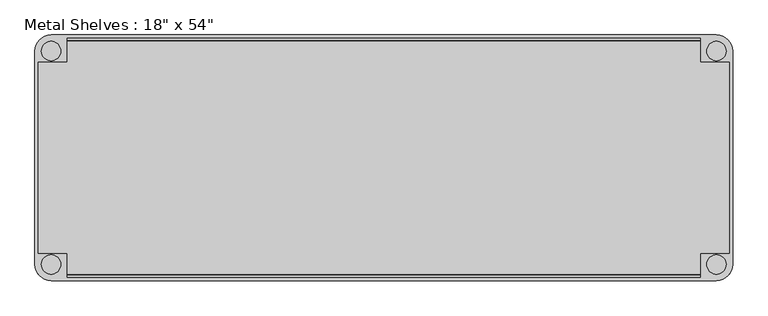
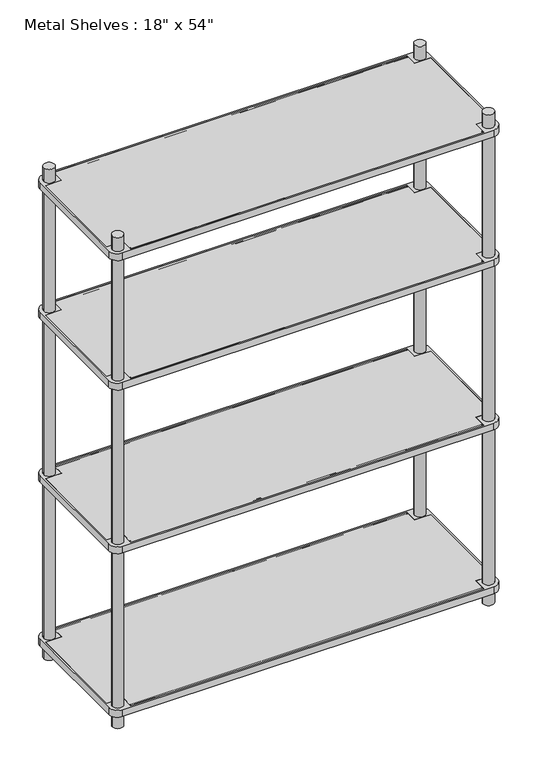
"""IFC4 building model written with IfcOpenShell, lengths in millimetres: furniture geometry."""

from ifc_helpers import new_model, si_unit, point, frame, frame_2d, origin, origin_with_axes, place, context, project, spatial, polyline, circle_curve, trimmed, segment, composite_curve, outline, extrude, source, transform, mapped, element, save


def furniture_56ea5052(model_context):
    return source(origin(), model_context, "Body", "SweptSolid", [
        extrude(outline(polyline([(-622.3, -234.95), (-622.3, -187.325), (-679.45, -187.325), (-679.45, 187.325), (-622.3, 187.325), (-622.3, 234.95), (622.3, 234.95), (622.3, 187.325), (679.45, 187.325), (679.45, -187.325), (622.3, -187.325), (622.3, -234.95), (-622.3, -234.95)])), frame((0.0, 0.0, 50.8), z_axis=(0.0, 0.0, 1.0), x_axis=(1.0, 0.0, 0.0)), (0.0, 0.0, 1.0), 25.4),
        extrude(outline(polyline([(-622.3, -234.95), (-622.3, -187.325), (-679.45, -187.325), (-679.45, 187.325), (-622.3, 187.325), (-622.3, 234.95), (622.3, 234.95), (622.3, 187.325), (679.45, 187.325), (679.45, -187.325), (622.3, -187.325), (622.3, -234.95), (-622.3, -234.95)])), frame((0.0, 0.0, 660.4), z_axis=(0.0, 0.0, 1.0), x_axis=(1.0, 0.0, 0.0)), (0.0, 0.0, 1.0), 25.4),
        extrude(outline(polyline([(-622.3, -234.95), (-622.3, -187.325), (-679.45, -187.325), (-679.45, 187.325), (-622.3, 187.325), (-622.3, 234.95), (622.3, 234.95), (622.3, 187.325), (679.45, 187.325), (679.45, -187.325), (622.3, -187.325), (622.3, -234.95), (-622.3, -234.95)])), frame((0.0, 0.0, 1270.0), z_axis=(0.0, 0.0, 1.0), x_axis=(1.0, 0.0, 0.0)), (0.0, 0.0, 1.0), 25.4),
        extrude(outline(polyline([(-679.45, -187.325), (-679.45, 187.325), (-622.3, 187.325), (-622.3, 234.95), (622.3, 234.95), (622.3, 187.325), (679.45, 187.325), (679.45, -187.325), (622.3, -187.325), (622.3, -234.95), (-622.3, -234.95), (-622.3, -187.325), (-679.45, -187.325)])), frame((0.0, 0.0, 1752.6), z_axis=(0.0, 0.0, 1.0), x_axis=(1.0, 0.0, 0.0)), (0.0, 0.0, 1.0), 25.4),
        extrude(outline(composite_curve([segment(polyline([(685.8, 209.55), (685.8, -209.55)]), True, "CONTINUOUS"), segment(trimmed(circle_curve(frame_2d((654.05, -209.55)), 31.75), [point((685.8, -209.55))], [point((654.05, -241.3))], False, "CARTESIAN"), True, "CONTINUOUS"), segment(polyline([(654.05, -241.3), (-654.05, -241.3)]), True, "CONTINUOUS"), segment(trimmed(circle_curve(frame_2d((-654.05, -209.55)), 31.75), [point((-654.05, -241.3))], [point((-685.8, -209.55))], False, "CARTESIAN"), True, "CONTINUOUS"), segment(polyline([(-685.8, -209.55), (-685.8, 209.55)]), True, "CONTINUOUS"), segment(trimmed(circle_curve(frame_2d((-654.05, 209.55)), 31.75), [point((-685.8, 209.55))], [point((-654.05, 241.3))], False, "CARTESIAN"), True, "CONTINUOUS"), segment(polyline([(-654.05, 241.3), (654.05, 241.3)]), True, "CONTINUOUS"), segment(trimmed(circle_curve(frame_2d((654.05, 209.55)), 31.75), [point((654.05, 241.3))], [point((685.8, 209.55))], False, "CARTESIAN"), True, "CONTINUOUS")], self_intersect=False), holes=[polyline([(-622.3, 234.95), (-622.3, 187.325), (-679.45, 187.325), (-679.45, -187.325), (-622.3, -187.325), (-622.3, -234.95), (622.3, -234.95), (622.3, -187.325), (679.45, -187.325), (679.45, 187.325), (622.3, 187.325), (622.3, 234.95), (-622.3, 234.95)]), composite_curve([segment(trimmed(circle_curve(frame_2d((654.05, 209.55)), 19.05), [point((635.0, 209.55))], [point((673.1, 209.55))], True, "CARTESIAN"), True, "CONTINUOUS"), segment(trimmed(circle_curve(frame_2d((654.05, 209.55)), 19.05), [point((673.1, 209.55))], [point((635.0, 209.55))], True, "CARTESIAN"), True, "CONTINUOUS")], self_intersect=False), composite_curve([segment(trimmed(circle_curve(frame_2d((654.05, -209.55)), 19.05), [point((635.0, -209.55))], [point((673.1, -209.55))], True, "CARTESIAN"), True, "CONTINUOUS"), segment(trimmed(circle_curve(frame_2d((654.05, -209.55)), 19.05), [point((673.1, -209.55))], [point((635.0, -209.55))], True, "CARTESIAN"), True, "CONTINUOUS")], self_intersect=False), composite_curve([segment(trimmed(circle_curve(frame_2d((-654.05, -209.55)), 19.05), [point((-635.0, -209.55))], [point((-673.1, -209.55))], True, "CARTESIAN"), True, "CONTINUOUS"), segment(trimmed(circle_curve(frame_2d((-654.05, -209.55)), 19.05), [point((-673.1, -209.55))], [point((-635.0, -209.55))], True, "CARTESIAN"), True, "CONTINUOUS")], self_intersect=False), composite_curve([segment(trimmed(circle_curve(frame_2d((-654.05, 209.55)), 19.05), [point((-635.0, 209.55))], [point((-673.1, 209.55))], True, "CARTESIAN"), True, "CONTINUOUS"), segment(trimmed(circle_curve(frame_2d((-654.05, 209.55)), 19.05), [point((-673.1, 209.55))], [point((-635.0, 209.55))], True, "CARTESIAN"), True, "CONTINUOUS")], self_intersect=False)]), frame((0.0, 0.0, 660.4), z_axis=(0.0, 0.0, 1.0), x_axis=(1.0, 0.0, 0.0)), (0.0, 0.0, 1.0), 25.4),
        extrude(outline(composite_curve([segment(polyline([(-654.05, 241.3), (654.05, 241.3)]), True, "CONTINUOUS"), segment(trimmed(circle_curve(frame_2d((654.05, 209.55)), 31.75), [point((654.05, 241.3))], [point((685.8, 209.55))], False, "CARTESIAN"), True, "CONTINUOUS"), segment(polyline([(685.8, 209.55), (685.8, -209.55)]), True, "CONTINUOUS"), segment(trimmed(circle_curve(frame_2d((654.05, -209.55)), 31.75), [point((685.8, -209.55))], [point((654.05, -241.3))], False, "CARTESIAN"), True, "CONTINUOUS"), segment(polyline([(654.05, -241.3), (-654.05, -241.3)]), True, "CONTINUOUS"), segment(trimmed(circle_curve(frame_2d((-654.05, -209.55)), 31.75), [point((-654.05, -241.3))], [point((-685.8, -209.55))], False, "CARTESIAN"), True, "CONTINUOUS"), segment(polyline([(-685.8, -209.55), (-685.8, 209.55)]), True, "CONTINUOUS"), segment(trimmed(circle_curve(frame_2d((-654.05, 209.55)), 31.75), [point((-685.8, 209.55))], [point((-654.05, 241.3))], False, "CARTESIAN"), True, "CONTINUOUS")], self_intersect=False), holes=[composite_curve([segment(trimmed(circle_curve(frame_2d((-654.05, 209.55)), 19.05), [point((-635.0, 209.55))], [point((-673.1, 209.55))], True, "CARTESIAN"), True, "CONTINUOUS"), segment(trimmed(circle_curve(frame_2d((-654.05, 209.55)), 19.05), [point((-673.1, 209.55))], [point((-635.0, 209.55))], True, "CARTESIAN"), True, "CONTINUOUS")], self_intersect=False), composite_curve([segment(trimmed(circle_curve(frame_2d((-654.05, -209.55)), 19.05), [point((-635.0, -209.55))], [point((-673.1, -209.55))], True, "CARTESIAN"), True, "CONTINUOUS"), segment(trimmed(circle_curve(frame_2d((-654.05, -209.55)), 19.05), [point((-673.1, -209.55))], [point((-635.0, -209.55))], True, "CARTESIAN"), True, "CONTINUOUS")], self_intersect=False), composite_curve([segment(trimmed(circle_curve(frame_2d((654.05, 209.55)), 19.05), [point((635.0, 209.55))], [point((673.1, 209.55))], True, "CARTESIAN"), True, "CONTINUOUS"), segment(trimmed(circle_curve(frame_2d((654.05, 209.55)), 19.05), [point((673.1, 209.55))], [point((635.0, 209.55))], True, "CARTESIAN"), True, "CONTINUOUS")], self_intersect=False), composite_curve([segment(trimmed(circle_curve(frame_2d((654.05, -209.55)), 19.05), [point((635.0, -209.55))], [point((673.1, -209.55))], True, "CARTESIAN"), True, "CONTINUOUS"), segment(trimmed(circle_curve(frame_2d((654.05, -209.55)), 19.05), [point((673.1, -209.55))], [point((635.0, -209.55))], True, "CARTESIAN"), True, "CONTINUOUS")], self_intersect=False), polyline([(-622.3, 234.95), (-622.3, 187.325), (-679.45, 187.325), (-679.45, -187.325), (-622.3, -187.325), (-622.3, -234.95), (622.3, -234.95), (622.3, -187.325), (679.45, -187.325), (679.45, 187.325), (622.3, 187.325), (622.3, 234.95), (-622.3, 234.95)])]), frame((0.0, 0.0, 50.8), z_axis=(0.0, 0.0, 1.0), x_axis=(1.0, 0.0, 0.0)), (0.0, 0.0, 1.0), 25.4),
        extrude(outline(composite_curve([segment(polyline([(-685.8, -209.55), (-685.8, 209.55)]), True, "CONTINUOUS"), segment(trimmed(circle_curve(frame_2d((-654.05, 209.55)), 31.75), [point((-685.8, 209.55))], [point((-654.05, 241.3))], False, "CARTESIAN"), True, "CONTINUOUS"), segment(polyline([(-654.05, 241.3), (654.05, 241.3)]), True, "CONTINUOUS"), segment(trimmed(circle_curve(frame_2d((654.05, 209.55)), 31.75), [point((654.05, 241.3))], [point((685.8, 209.55))], False, "CARTESIAN"), True, "CONTINUOUS"), segment(polyline([(685.8, 209.55), (685.8, -209.55)]), True, "CONTINUOUS"), segment(trimmed(circle_curve(frame_2d((654.05, -209.55)), 31.75), [point((685.8, -209.55))], [point((654.05, -241.3))], False, "CARTESIAN"), True, "CONTINUOUS"), segment(polyline([(654.05, -241.3), (-654.05, -241.3)]), True, "CONTINUOUS"), segment(trimmed(circle_curve(frame_2d((-654.05, -209.55)), 31.75), [point((-654.05, -241.3))], [point((-685.8, -209.55))], False, "CARTESIAN"), True, "CONTINUOUS")], self_intersect=False), holes=[composite_curve([segment(trimmed(circle_curve(frame_2d((-654.05, -209.55)), 19.05), [point((-635.0, -209.55))], [point((-673.1, -209.55))], True, "CARTESIAN"), True, "CONTINUOUS"), segment(trimmed(circle_curve(frame_2d((-654.05, -209.55)), 19.05), [point((-673.1, -209.55))], [point((-635.0, -209.55))], True, "CARTESIAN"), True, "CONTINUOUS")], self_intersect=False), composite_curve([segment(trimmed(circle_curve(frame_2d((-654.05, 209.55)), 19.05), [point((-635.0, 209.55))], [point((-673.1, 209.55))], True, "CARTESIAN"), True, "CONTINUOUS"), segment(trimmed(circle_curve(frame_2d((-654.05, 209.55)), 19.05), [point((-673.1, 209.55))], [point((-635.0, 209.55))], True, "CARTESIAN"), True, "CONTINUOUS")], self_intersect=False), composite_curve([segment(trimmed(circle_curve(frame_2d((654.05, 209.55)), 19.05), [point((635.0, 209.55))], [point((673.1, 209.55))], True, "CARTESIAN"), True, "CONTINUOUS"), segment(trimmed(circle_curve(frame_2d((654.05, 209.55)), 19.05), [point((673.1, 209.55))], [point((635.0, 209.55))], True, "CARTESIAN"), True, "CONTINUOUS")], self_intersect=False), polyline([(-622.3, 234.95), (-622.3, 187.325), (-679.45, 187.325), (-679.45, -187.325), (-622.3, -187.325), (-622.3, -234.95), (622.3, -234.95), (622.3, -187.325), (679.45, -187.325), (679.45, 187.325), (622.3, 187.325), (622.3, 234.95), (-622.3, 234.95)]), composite_curve([segment(trimmed(circle_curve(frame_2d((654.05, -209.55)), 19.05), [point((635.0, -209.55))], [point((673.1, -209.55))], True, "CARTESIAN"), True, "CONTINUOUS"), segment(trimmed(circle_curve(frame_2d((654.05, -209.55)), 19.05), [point((673.1, -209.55))], [point((635.0, -209.55))], True, "CARTESIAN"), True, "CONTINUOUS")], self_intersect=False)]), frame((0.0, 0.0, 1270.0), z_axis=(0.0, 0.0, 1.0), x_axis=(1.0, 0.0, 0.0)), (0.0, 0.0, 1.0), 25.4),
        extrude(outline(composite_curve([segment(polyline([(-654.05, 241.3), (654.05, 241.3)]), True, "CONTINUOUS"), segment(trimmed(circle_curve(frame_2d((654.05, 209.55)), 31.75), [point((654.05, 241.3))], [point((685.8, 209.55))], False, "CARTESIAN"), True, "CONTINUOUS"), segment(polyline([(685.8, 209.55), (685.8, -209.55)]), True, "CONTINUOUS"), segment(trimmed(circle_curve(frame_2d((654.05, -209.55)), 31.75), [point((685.8, -209.55))], [point((654.05, -241.3))], False, "CARTESIAN"), True, "CONTINUOUS"), segment(polyline([(654.05, -241.3), (-654.05, -241.3)]), True, "CONTINUOUS"), segment(trimmed(circle_curve(frame_2d((-654.05, -209.55)), 31.75), [point((-654.05, -241.3))], [point((-685.8, -209.55))], False, "CARTESIAN"), True, "CONTINUOUS"), segment(polyline([(-685.8, -209.55), (-685.8, 209.55)]), True, "CONTINUOUS"), segment(trimmed(circle_curve(frame_2d((-654.05, 209.55)), 31.75), [point((-685.8, 209.55))], [point((-654.05, 241.3))], False, "CARTESIAN"), True, "CONTINUOUS")], self_intersect=False), holes=[composite_curve([segment(trimmed(circle_curve(frame_2d((654.05, -209.55)), 19.05), [point((635.0, -209.55))], [point((673.1, -209.55))], True, "CARTESIAN"), True, "CONTINUOUS"), segment(trimmed(circle_curve(frame_2d((654.05, -209.55)), 19.05), [point((673.1, -209.55))], [point((635.0, -209.55))], True, "CARTESIAN"), True, "CONTINUOUS")], self_intersect=False), composite_curve([segment(trimmed(circle_curve(frame_2d((654.05, 209.55)), 19.05), [point((635.0, 209.55))], [point((673.1, 209.55))], True, "CARTESIAN"), True, "CONTINUOUS"), segment(trimmed(circle_curve(frame_2d((654.05, 209.55)), 19.05), [point((673.1, 209.55))], [point((635.0, 209.55))], True, "CARTESIAN"), True, "CONTINUOUS")], self_intersect=False), composite_curve([segment(trimmed(circle_curve(frame_2d((-654.05, -209.55)), 19.05), [point((-635.0, -209.55))], [point((-673.1, -209.55))], True, "CARTESIAN"), True, "CONTINUOUS"), segment(trimmed(circle_curve(frame_2d((-654.05, -209.55)), 19.05), [point((-673.1, -209.55))], [point((-635.0, -209.55))], True, "CARTESIAN"), True, "CONTINUOUS")], self_intersect=False), polyline([(679.45, 187.325), (622.3, 187.325), (622.3, 234.95), (-622.3, 234.95), (-622.3, 187.325), (-679.45, 187.325), (-679.45, -187.325), (-622.3, -187.325), (-622.3, -234.95), (622.3, -234.95), (622.3, -187.325), (679.45, -187.325), (679.45, 187.325)]), composite_curve([segment(trimmed(circle_curve(frame_2d((-654.05, 209.55)), 19.05), [point((-635.0, 209.55))], [point((-673.1, 209.55))], True, "CARTESIAN"), True, "CONTINUOUS"), segment(trimmed(circle_curve(frame_2d((-654.05, 209.55)), 19.05), [point((-673.1, 209.55))], [point((-635.0, 209.55))], True, "CARTESIAN"), True, "CONTINUOUS")], self_intersect=False)]), frame((0.0, 0.0, 1752.6), z_axis=(0.0, 0.0, 1.0), x_axis=(1.0, 0.0, 0.0)), (0.0, 0.0, 1.0), 25.4),
        extrude(outline(composite_curve([segment(trimmed(circle_curve(frame_2d((-228.6, 1776.4125)), 1.5875), [point((-227.0125, 1776.4125))], [point((-230.1875, 1776.4125))], False, "CARTESIAN"), True, "CONTINUOUS"), segment(trimmed(circle_curve(frame_2d((-228.6, 1776.4125)), 1.5875), [point((-230.1875, 1776.4125))], [point((-227.0125, 1776.4125))], False, "CARTESIAN"), True, "CONTINUOUS")], self_intersect=False)), frame((-622.3, 0.0, 0.0), z_axis=(1.0, 0.0, 0.0), x_axis=(0.0, 1.0, 0.0)), (0.0, 0.0, 1.0), 1244.6),
        extrude(outline(composite_curve([segment(trimmed(circle_curve(frame_2d((228.6, 1776.4125)), 1.5875), [point((230.1875, 1776.4125))], [point((227.0125, 1776.4125))], False, "CARTESIAN"), True, "CONTINUOUS"), segment(trimmed(circle_curve(frame_2d((228.6, 1776.4125)), 1.5875), [point((227.0125, 1776.4125))], [point((230.1875, 1776.4125))], False, "CARTESIAN"), True, "CONTINUOUS")], self_intersect=False)), frame((-622.3, 0.0, 0.0), z_axis=(1.0, 0.0, 0.0), x_axis=(0.0, 1.0, 0.0)), (0.0, 0.0, 1.0), 1244.6),
        extrude(outline(composite_curve([segment(trimmed(circle_curve(frame_2d((-228.6, 1293.8125)), 1.5875), [point((-227.0125, 1293.8125))], [point((-230.1875, 1293.8125))], False, "CARTESIAN"), True, "CONTINUOUS"), segment(trimmed(circle_curve(frame_2d((-228.6, 1293.8125)), 1.5875), [point((-230.1875, 1293.8125))], [point((-227.0125, 1293.8125))], False, "CARTESIAN"), True, "CONTINUOUS")], self_intersect=False)), frame((-622.3, 0.0, 0.0), z_axis=(1.0, 0.0, 0.0), x_axis=(0.0, 1.0, 0.0)), (0.0, 0.0, 1.0), 1244.6),
        extrude(outline(composite_curve([segment(trimmed(circle_curve(frame_2d((228.6, 1293.8125)), 1.5875), [point((230.1875, 1293.8125))], [point((227.0125, 1293.8125))], False, "CARTESIAN"), True, "CONTINUOUS"), segment(trimmed(circle_curve(frame_2d((228.6, 1293.8125)), 1.5875), [point((227.0125, 1293.8125))], [point((230.1875, 1293.8125))], False, "CARTESIAN"), True, "CONTINUOUS")], self_intersect=False)), frame((-622.3, 0.0, 0.0), z_axis=(1.0, 0.0, 0.0), x_axis=(0.0, 1.0, 0.0)), (0.0, 0.0, 1.0), 1244.6),
        extrude(outline(composite_curve([segment(trimmed(circle_curve(frame_2d((-228.6, 684.2125)), 1.5875), [point((-227.0125, 684.2125))], [point((-230.1875, 684.2125))], False, "CARTESIAN"), True, "CONTINUOUS"), segment(trimmed(circle_curve(frame_2d((-228.6, 684.2125)), 1.5875), [point((-230.1875, 684.2125))], [point((-227.0125, 684.2125))], False, "CARTESIAN"), True, "CONTINUOUS")], self_intersect=False)), frame((-622.3, 0.0, 0.0), z_axis=(1.0, 0.0, 0.0), x_axis=(0.0, 1.0, 0.0)), (0.0, 0.0, 1.0), 1244.6),
        extrude(outline(composite_curve([segment(trimmed(circle_curve(frame_2d((228.6, 684.2125)), 1.5875), [point((230.1875, 684.2125))], [point((227.0125, 684.2125))], False, "CARTESIAN"), True, "CONTINUOUS"), segment(trimmed(circle_curve(frame_2d((228.6, 684.2125)), 1.5875), [point((227.0125, 684.2125))], [point((230.1875, 684.2125))], False, "CARTESIAN"), True, "CONTINUOUS")], self_intersect=False)), frame((-622.3, 0.0, 0.0), z_axis=(1.0, 0.0, 0.0), x_axis=(0.0, 1.0, 0.0)), (0.0, 0.0, 1.0), 1244.6),
        extrude(outline(composite_curve([segment(trimmed(circle_curve(frame_2d((-228.6, 74.6125)), 1.5875), [point((-227.0125, 74.6125))], [point((-230.1875, 74.6125))], False, "CARTESIAN"), True, "CONTINUOUS"), segment(trimmed(circle_curve(frame_2d((-228.6, 74.6125)), 1.5875), [point((-230.1875, 74.6125))], [point((-227.0125, 74.6125))], False, "CARTESIAN"), True, "CONTINUOUS")], self_intersect=False)), frame((-622.3, 0.0, 0.0), z_axis=(1.0, 0.0, 0.0), x_axis=(0.0, 1.0, 0.0)), (0.0, 0.0, 1.0), 1244.6),
        extrude(outline(composite_curve([segment(trimmed(circle_curve(frame_2d((228.6, 74.6125)), 1.5875), [point((230.1875, 74.6125))], [point((227.0125, 74.6125))], False, "CARTESIAN"), True, "CONTINUOUS"), segment(trimmed(circle_curve(frame_2d((228.6, 74.6125)), 1.5875), [point((227.0125, 74.6125))], [point((230.1875, 74.6125))], False, "CARTESIAN"), True, "CONTINUOUS")], self_intersect=False)), frame((-622.3, 0.0, 0.0), z_axis=(1.0, 0.0, 0.0), x_axis=(0.0, 1.0, 0.0)), (0.0, 0.0, 1.0), 1244.6),
        extrude(outline(composite_curve([segment(trimmed(circle_curve(frame_2d((654.05, 209.55)), 19.05), [point((673.1, 209.55))], [point((635.0, 209.55))], False, "CARTESIAN"), True, "CONTINUOUS"), segment(trimmed(circle_curve(frame_2d((654.05, 209.55)), 19.05), [point((635.0, 209.55))], [point((673.1, 209.55))], False, "CARTESIAN"), True, "CONTINUOUS")], self_intersect=False)), origin_with_axes(), (0.0, 0.0, 1.0), 1828.8),
        extrude(outline(composite_curve([segment(trimmed(circle_curve(frame_2d((-654.05, 209.55)), 19.05), [point((-673.1, 209.55))], [point((-635.0, 209.55))], False, "CARTESIAN"), True, "CONTINUOUS"), segment(trimmed(circle_curve(frame_2d((-654.05, 209.55)), 19.05), [point((-635.0, 209.55))], [point((-673.1, 209.55))], False, "CARTESIAN"), True, "CONTINUOUS")], self_intersect=False)), origin_with_axes(), (0.0, 0.0, 1.0), 1828.8),
        extrude(outline(composite_curve([segment(trimmed(circle_curve(frame_2d((654.05, -209.55)), 19.05), [point((673.1, -209.55))], [point((635.0, -209.55))], False, "CARTESIAN"), True, "CONTINUOUS"), segment(trimmed(circle_curve(frame_2d((654.05, -209.55)), 19.05), [point((635.0, -209.55))], [point((673.1, -209.55))], False, "CARTESIAN"), True, "CONTINUOUS")], self_intersect=False)), origin_with_axes(), (0.0, 0.0, 1.0), 1828.8),
        extrude(outline(composite_curve([segment(trimmed(circle_curve(frame_2d((-654.05, -209.55)), 19.05), [point((-673.1, -209.55))], [point((-635.0, -209.55))], False, "CARTESIAN"), True, "CONTINUOUS"), segment(trimmed(circle_curve(frame_2d((-654.05, -209.55)), 19.05), [point((-635.0, -209.55))], [point((-673.1, -209.55))], False, "CARTESIAN"), True, "CONTINUOUS")], self_intersect=False)), origin_with_axes(), (0.0, 0.0, 1.0), 1828.8),
    ])


if __name__ == "__main__":
    model = new_model("IFC4")
    model_context = context("Model", 3, world=origin())
    ifc_project = project(units=[si_unit("LENGTHUNIT", "METRE", prefix="MILLI")], contexts=[model_context])
    site = spatial("IfcSite", under=ifc_project)
    building = spatial("IfcBuilding", under=site)
    placement = place(None, origin())
    furniture_shape = furniture_56ea5052(model_context)
    element("IfcFurniture", 1, ObjectType="Metal Shelves : 18\" x 54\"", at=placement, inside=building, context=model_context, shape_type="MappedRepresentation", body=[
        mapped(furniture_shape, transform((0.0, 0.0, 0.0), x_axis=(1.0, 0.0, 0.0), y_axis=(0.0, 1.0, 0.0), z_axis=(0.0, 0.0, 1.0))),
    ])
    save(model, "model.ifc")
